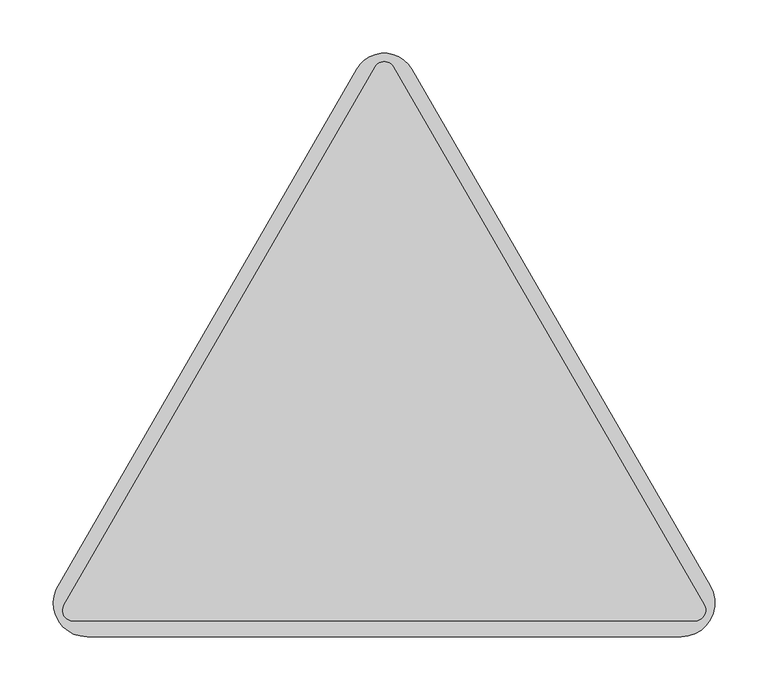
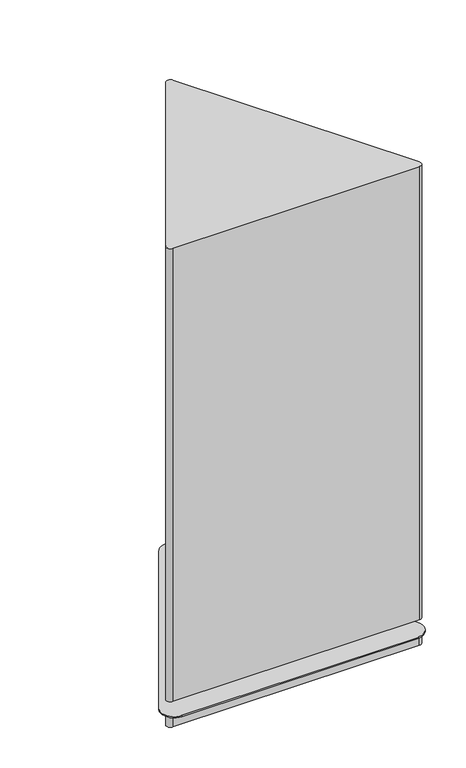
"""IFC4 building model written with IfcOpenShell, lengths in millimetres: furniture geometry."""

from ifc_helpers import new_model, si_unit, point, frame, frame_2d, origin, place, context, project, spatial, polyline, circle_curve, trimmed, segment, composite_curve, outline, extrude, source, transform, mapped, element, save
from ifc_brep_helpers import plane_surface, cylinder_surface, advanced_brep


def furniture_4300a2c1(model_context):
    return source(origin(), model_context, "Body", "SolidModel", [
        extrude(outline(composite_curve([segment(polyline([(519.7661537, -201.121178), (812.0413924, 305.1144552)]), True, "CONTINUOUS"), segment(trimmed(circle_curve(frame_2d((820.6763626, 300.1290536)), 9.9708044), [point((812.0413924, 305.1144552))], [point((829.3113326, 305.1144555))], False, "CARTESIAN"), True, "CONTINUOUS"), segment(polyline([(829.3113326, 305.1144555), (1121.3113421, -200.6444313)]), True, "CONTINUOUS"), segment(trimmed(circle_curve(frame_2d((1112.5421985, -205.7072984)), 10.1257347), [point((1121.3113421, -200.6444313))], [point((1112.5421985, -215.8330331))], False, "CARTESIAN"), True, "CONTINUOUS"), segment(polyline([(1112.5421985, -215.8330331), (528.2600477, -215.8330331)]), True, "CONTINUOUS"), segment(trimmed(circle_curve(frame_2d((528.2600477, -206.0251294)), 9.8079037), [point((528.2600477, -215.8330331))], [point((519.7661537, -201.121178))], False, "CARTESIAN"), True, "CONTINUOUS")], self_intersect=False)), frame((0.0, 0.0, 64.0000043), z_axis=(0.0, 0.0, 1.0), x_axis=(1.0, 0.0, 0.0)), (0.0, 0.0, 1.0), 1135.8523394),
        advanced_brep(
        [(846.6202308, 303.1346939, 33.0000002), (794.7326652, 303.1347025, 33.0000002), (512.4205907, -185.8439671, 33.0000002), (541.4357547, -230.4851563, 33.0000002), (1099.7130718, -230.4851563, 33.0000002), (1127.2093811, -182.8601609, 33.0000002), (830.6876493, 168.1228485, 33.0000002), (810.4611773, 168.1228485, 33.0000002), (653.1016849, -139.8296569, 33.0000002), (632.875213, -139.8296569, 33.0000002), (1008.2736136, -139.8296569, 33.0000002), (988.0471416, -139.8296569, 33.0000002), (846.6202308, 303.1346939, 30.0000016), (1127.2093811, -182.8601609, 30.0000016), (1099.7130718, -230.4851563, 30.0000016), (541.4357547, -230.4851563, 30.0000016), (512.4205907, -185.8439671, 30.0000016), (794.7326652, 303.1347025, 30.0000016), (1112.5877406, -215.8330331, 30.0000016), (1121.3341131, -200.683872, 30.0000016), (829.4933363, 304.7992158, 30.0000016), (812.0535444, 304.8017078, 30.0000016), (519.0283677, -202.3980279, 30.0000016), (528.5610859, -215.8330331, 30.0000016), (1112.5877406, -215.8330331, 0.0), (528.5610859, -215.8330331, 0.0), (519.0283677, -202.3980279, 0.0), (812.0535444, 304.8017078, 0.0), (829.4933363, 304.7992158, 0.0), (1121.3341131, -200.683872, 0.0), (810.4611773, 168.1228485, 64.0000043), (830.6876493, 168.1228485, 64.0000043), (632.875213, -139.8296569, 64.0000043), (653.1016849, -139.8296569, 64.0000043), (988.0471416, -139.8296569, 64.0000043), (1008.2736136, -139.8296569, 64.0000043)],
        [
            (0, 1, circle_curve(frame((820.6764455, 288.1560483, 33.0000002), z_axis=(0.0, 0.0, 1.0), x_axis=(1.0, 0.0, 0.0)), 29.9572999)),
            (1, 2),
            (2, 3, circle_curve(frame((541.4357547, -198.7351563, 33.0000002), z_axis=(0.0, 0.0, 1.0), x_axis=(1.0, 0.0, 0.0)), 31.75)),
            (3, 4),
            (4, 5, circle_curve(frame((1099.7130718, -198.7351563, 33.0000002), z_axis=(0.0, 0.0, 1.0), x_axis=(1.0, 0.0, 0.0)), 31.75)),
            (5, 0),
            (6, 7, circle_curve(frame((820.5744133, 168.1228485, 33.0000002), z_axis=(0.0, 0.0, -1.0), x_axis=(1.0, 0.0, 0.0)), 10.113236)),
            (7, 6, circle_curve(frame((820.5744133, 168.1228485, 33.0000002), z_axis=(0.0, 0.0, -1.0), x_axis=(1.0, 0.0, 0.0)), 10.113236)),
            (8, 9, circle_curve(frame((642.988449, -139.8296569, 33.0000002), z_axis=(0.0, 0.0, -1.0), x_axis=(1.0, 0.0, 0.0)), 10.113236)),
            (9, 8, circle_curve(frame((642.988449, -139.8296569, 33.0000002), z_axis=(0.0, 0.0, -1.0), x_axis=(1.0, 0.0, 0.0)), 10.113236)),
            (10, 11, circle_curve(frame((998.1603776, -139.8296569, 33.0000002), z_axis=(0.0, 0.0, -1.0), x_axis=(1.0, 0.0, 0.0)), 10.113236)),
            (11, 10, circle_curve(frame((998.1603776, -139.8296569, 33.0000002), z_axis=(0.0, 0.0, -1.0), x_axis=(1.0, 0.0, 0.0)), 10.113236)),
            (12, 13),
            (13, 14, circle_curve(frame((1099.7130718, -198.7351563, 30.0000016), z_axis=(0.0, 0.0, -1.0), x_axis=(1.0, 0.0, 0.0)), 31.75)),
            (14, 15),
            (15, 16, circle_curve(frame((541.4357547, -198.7351563, 30.0000016), z_axis=(0.0, 0.0, -1.0), x_axis=(1.0, 0.0, 0.0)), 31.75)),
            (16, 17),
            (17, 12, circle_curve(frame((820.6764455, 288.1560483, 30.0000016), z_axis=(0.0, 0.0, -1.0), x_axis=(1.0, 0.0, 0.0)), 29.9572999)),
            (18, 19, circle_curve(frame((1112.5877406, -205.7335922, 30.0000016), z_axis=(0.0, 0.0, 1.0), x_axis=(1.0, 0.0, 0.0)), 10.0994409)),
            (19, 20),
            (20, 21, circle_curve(frame((820.7727207, 299.7643665, 30.0000016), z_axis=(0.0, 0.0, 1.0), x_axis=(1.0, 0.0, 0.0)), 10.0696993)),
            (21, 22),
            (22, 23, circle_curve(frame((528.5610859, -205.7335922, 30.0000016), z_axis=(0.0, 0.0, 1.0), x_axis=(1.0, 0.0, 0.0)), 10.0994409)),
            (23, 18),
            (24, 25),
            (25, 26, circle_curve(frame((528.5610859, -205.7335922, 0.0), z_axis=(0.0, 0.0, -1.0), x_axis=(1.0, 0.0, 0.0)), 10.0994409)),
            (26, 27),
            (27, 28, circle_curve(frame((820.7727207, 299.7643665, 0.0), z_axis=(0.0, 0.0, -1.0), x_axis=(1.0, 0.0, 0.0)), 10.0696993)),
            (28, 29),
            (29, 24, circle_curve(frame((1112.5877406, -205.7335922, 0.0), z_axis=(0.0, 0.0, -1.0), x_axis=(1.0, 0.0, 0.0)), 10.0994409)),
            (30, 31, circle_curve(frame((820.5744133, 168.1228485, 64.0000043), z_axis=(0.0, 0.0, 1.0), x_axis=(1.0, 0.0, 0.0)), 10.113236)),
            (31, 30, circle_curve(frame((820.5744133, 168.1228485, 64.0000043), z_axis=(0.0, 0.0, 1.0), x_axis=(1.0, 0.0, 0.0)), 10.113236)),
            (32, 33, circle_curve(frame((642.988449, -139.8296569, 64.0000043), z_axis=(0.0, 0.0, 1.0), x_axis=(1.0, 0.0, 0.0)), 10.113236)),
            (33, 32, circle_curve(frame((642.988449, -139.8296569, 64.0000043), z_axis=(0.0, 0.0, 1.0), x_axis=(1.0, 0.0, 0.0)), 10.113236)),
            (34, 35, circle_curve(frame((998.1603776, -139.8296569, 64.0000043), z_axis=(0.0, 0.0, 1.0), x_axis=(1.0, 0.0, 0.0)), 10.113236)),
            (35, 34, circle_curve(frame((998.1603776, -139.8296569, 64.0000043), z_axis=(0.0, 0.0, 1.0), x_axis=(1.0, 0.0, 0.0)), 10.113236)),
            (29, 19),
            (18, 24),
            (28, 20),
            (27, 21),
            (26, 22),
            (25, 23),
            (0, 12),
            (17, 1),
            (16, 2),
            (15, 3),
            (14, 4),
            (13, 5),
            (30, 7),
            (6, 31),
            (32, 9),
            (8, 33),
            (34, 11),
            (10, 35),
        ],
        [
            plane_surface(frame((850.6337454, 288.1560483, 33.0000002), z_axis=(0.0, 0.0, 1.0), x_axis=(0.0, 1.0, 0.0))),
            plane_surface(frame((850.6337454, 288.1560483, 30.0000016), z_axis=(0.0, 0.0, -1.0), x_axis=(0.0, -1.0, 0.0))),
            plane_surface(frame((1122.6871815, -205.7335922, 0.0), z_axis=(0.0, 0.0, -1.0), x_axis=(0.0, -1.0, 0.0))),
            plane_surface(frame((830.6876493, 168.1228485, 64.0000043), z_axis=(0.0, 0.0, 1.0), x_axis=(0.0, 1.0, 0.0))),
            cylinder_surface(frame((1112.5877406, -205.7335922, 0.0), z_axis=(0.0, 0.0, 1.0), x_axis=(1.0, 0.0, 0.0)), 10.0994409),
            plane_surface(frame((1121.3341131, -200.683872, 30.0000016), z_axis=(0.8660254185772069, 0.4999999743781729, 0.0), x_axis=(0.0, 0.0, -1.0))),
            cylinder_surface(frame((820.7727207, 299.7643665, 0.0), z_axis=(0.0, 0.0, 1.0), x_axis=(1.0, 0.0, 0.0)), 10.0696993),
            plane_surface(frame((812.0535444, 304.8017078, 30.0000016), z_axis=(-0.8658824950397653, 0.5002474435553979, 0.0), x_axis=(0.0, 0.0, -1.0))),
            cylinder_surface(frame((528.5610859, -205.7335922, 0.0), z_axis=(0.0, 0.0, 1.0), x_axis=(1.0, 0.0, 0.0)), 10.0994409),
            plane_surface(frame((528.5610859, -215.8330331, 30.0000016), z_axis=(0.0, -1.0, 0.0), x_axis=(0.0, 0.0, -1.0))),
            cylinder_surface(frame((820.6764455, 288.1560483, 30.0000016), z_axis=(0.0, 0.0, 1.0), x_axis=(1.0, 0.0, 0.0)), 29.9572999),
            plane_surface(frame((794.7326652, 303.1347025, 33.0000002), z_axis=(-0.8660253210160144, 0.5000001433590889, 0.0), x_axis=(0.0, 0.0, -1.0))),
            cylinder_surface(frame((541.4357547, -198.7351563, 30.0000016), z_axis=(0.0, 0.0, 1.0), x_axis=(1.0, 0.0, 0.0)), 31.75),
            plane_surface(frame((541.4357547, -230.4851563, 33.0000002), z_axis=(0.0, -1.0, 0.0), x_axis=(0.0, 0.0, -1.0))),
            cylinder_surface(frame((1099.7130718, -198.7351563, 30.0000016), z_axis=(0.0, 0.0, 1.0), x_axis=(1.0, 0.0, 0.0)), 31.75),
            plane_surface(frame((1127.2093811, -182.8601609, 33.0000002), z_axis=(0.8660254885772087, 0.49999985313458534, 0.0), x_axis=(0.0, 0.0, -1.0))),
            cylinder_surface(frame((820.5744133, 168.1228485, 33.0000002), z_axis=(0.0, 0.0, 1.0), x_axis=(1.0, 0.0, 0.0)), 10.113236),
            cylinder_surface(frame((642.988449, -139.8296569, 0.0), z_axis=(0.0, 0.0, 1.0), x_axis=(1.0, 0.0, 0.0)), 10.113236),
            cylinder_surface(frame((998.1603776, -139.8296569, 0.0), z_axis=(0.0, 0.0, 1.0), x_axis=(1.0, 0.0, 0.0)), 10.113236),
        ],
        [
            (0, [[1, 2, 3, 4, 5, 6], [7, 8], [9, 10], [11, 12]]),
            (1, [[13, 14, 15, 16, 17, 18], [19, 20, 21, 22, 23, 24]]),
            (2, [[25, 26, 27, 28, 29, 30]]),
            (3, [[31, 32]]),
            (3, [[33, 34]]),
            (3, [[35, 36]]),
            (4, [[-30, 37, -19, 38]]),
            (5, [[-29, 39, -20, -37]]),
            (6, [[-28, 40, -21, -39]]),
            (7, [[-27, 41, -22, -40]]),
            (8, [[-26, 42, -23, -41]]),
            (9, [[-25, -38, -24, -42]]),
            (10, [[-1, 43, -18, 44]]),
            (11, [[-2, -44, -17, 45]]),
            (12, [[-3, -45, -16, 46]]),
            (13, [[-4, -46, -15, 47]]),
            (14, [[-5, -47, -14, 48]]),
            (15, [[-6, -48, -13, -43]]),
            (16, [[-31, 49, -7, 50]]),
            (16, [[-32, -50, -8, -49]]),
            (17, [[-33, 51, -9, 52]]),
            (17, [[-34, -52, -10, -51]]),
            (18, [[-35, 53, -11, 54]]),
            (18, [[-36, -54, -12, -53]]),
        ],
    ),
    ])


if __name__ == "__main__":
    model = new_model("IFC4")
    model_context = context("Model", 3, world=origin())
    ifc_project = project(units=[si_unit("LENGTHUNIT", "METRE", prefix="MILLI")], contexts=[model_context])
    site = spatial("IfcSite", under=ifc_project)
    building = spatial("IfcBuilding", under=site)
    placement = place(None, origin())
    furniture_shape = furniture_4300a2c1(model_context)
    element("IfcFurniture", 1, at=placement, inside=building, context=model_context, shape_type="MappedRepresentation", body=[
        mapped(furniture_shape, transform((0.0, 0.0, 0.0), x_axis=(1.0, 0.0, 0.0), y_axis=(0.0, 1.0, 0.0), z_axis=(0.0, 0.0, 1.0))),
    ])
    save(model, "model.ifc")
